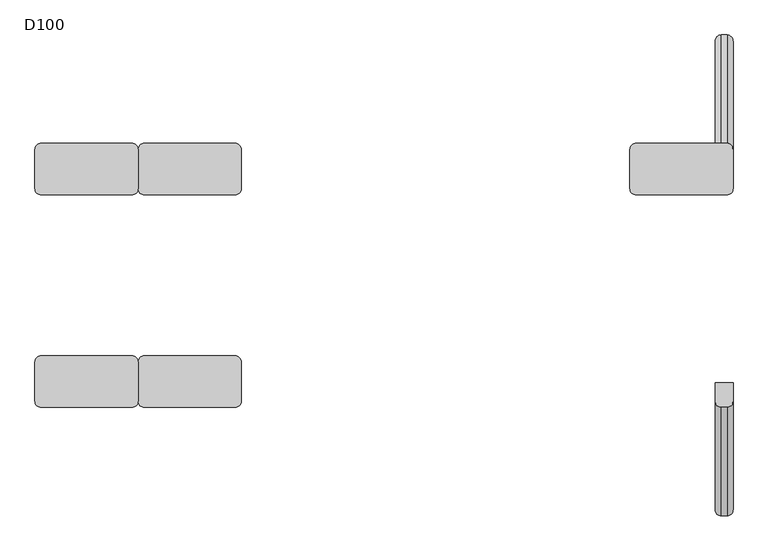
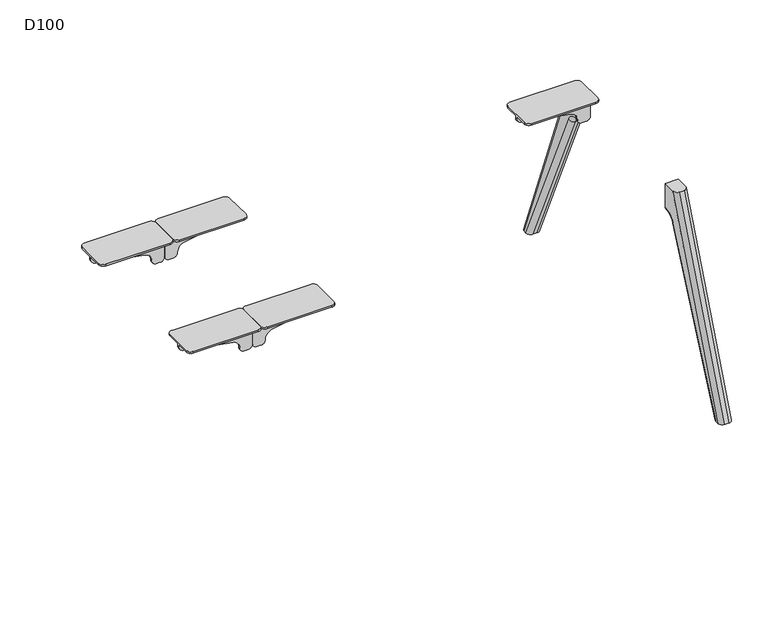
"""IFC4 building model written with IfcOpenShell, lengths in millimetres: furniture geometry, D100."""

from ifc_helpers import new_model, si_unit, point, frame, origin, place, context, project, spatial, polyline, circle_curve, ellipse_curve, trimmed, source, transform, mapped, element, save
from ifc_brep_helpers import plane_surface, cylinder_surface, revolved_surface, advanced_brep


def d100_bded7748(model_context):
    return source(origin(), model_context, "Body", "AdvancedBrep", [
        advanced_brep(
        [(1429.2740174, 270.7236545, 641.5327762), (1255.4913675, 270.7236545, 672.5), (1239.0, 270.7236545, 692.1898324), (1239.0, 270.7236545, 700.0), (1499.0, 270.7236545, 700.0), (1499.0, 270.7236545, 611.0), (1484.0, 270.7236545, 596.0), (1469.0, 270.7236545, 596.0), (1454.0036896, 270.7236545, 611.3326759), (1429.2740174, 264.7236545, 641.5327762), (1454.0036896, 264.7236545, 611.3326759), (1469.0, 264.7236545, 596.0), (1484.0, 264.7236545, 596.0), (1499.0, 264.7236545, 611.0), (1499.0, 264.7236545, 700.0), (1239.0, 264.7236545, 700.0), (1239.0, 264.7236545, 692.1898324), (1255.4913675, 264.7236545, 672.5), (1499.0, 218.7236545, 706.0), (1499.0, 218.7236545, 700.0), (1499.0, 316.7236545, 700.0), (1499.0, 316.7236545, 706.0), (1483.0, 332.7236545, 706.0), (1255.0, 332.7236545, 706.0), (1239.0, 316.7236545, 706.0), (1239.0, 218.7236545, 706.0), (1255.0, 202.7236545, 706.0), (1483.0, 202.7236545, 706.0), (1239.0, 316.7236545, 700.0), (1239.0, 218.7236545, 700.0), (1483.0, 202.7236545, 700.0), (1255.0, 202.7236545, 700.0), (1255.0, 332.7236545, 700.0), (1483.0, 332.7236545, 700.0)],
        [
            (0, 1),
            (1, 2, circle_curve(frame((1259.0, 270.7236545, 692.1898324), z_axis=(0.0, 1.0, 0.0), x_axis=(1.0, 0.0, 0.0)), 20.0)),
            (2, 3),
            (3, 4),
            (4, 5),
            (5, 6, circle_curve(frame((1484.0, 270.7236545, 611.0), z_axis=(0.0, 1.0, 0.0), x_axis=(1.0, 0.0, 0.0)), 15.0)),
            (6, 7),
            (7, 8, circle_curve(frame((1469.0, 270.7236545, 611.0), z_axis=(0.0, 1.0, 0.0), x_axis=(1.0, 0.0, 0.0)), 15.0)),
            (8, 0, circle_curve(frame((1424.0110687, 270.7236545, 611.9980276), z_axis=(0.0, -1.0, 0.0), x_axis=(1.0, 0.0, 0.0)), 30.0)),
            (9, 10, circle_curve(frame((1424.0110687, 264.7236545, 611.9980276), z_axis=(0.0, 1.0, 0.0), x_axis=(1.0, 0.0, 0.0)), 30.0)),
            (10, 11, circle_curve(frame((1469.0, 264.7236545, 611.0), z_axis=(0.0, -1.0, 0.0), x_axis=(1.0, 0.0, 0.0)), 15.0)),
            (11, 12),
            (12, 13, circle_curve(frame((1484.0, 264.7236545, 611.0), z_axis=(0.0, -1.0, 0.0), x_axis=(1.0, 0.0, 0.0)), 15.0)),
            (13, 14),
            (14, 15),
            (15, 16),
            (16, 17, circle_curve(frame((1259.0, 264.7236545, 692.1898324), z_axis=(0.0, -1.0, 0.0), x_axis=(1.0, 0.0, 0.0)), 20.0)),
            (17, 9),
            (8, 10),
            (9, 0),
            (18, 19),
            (19, 14),
            (13, 5),
            (4, 20),
            (20, 21),
            (21, 18),
            (21, 22, circle_curve(frame((1483.0, 316.7236545, 706.0), z_axis=(0.0, 0.0, 1.0), x_axis=(-1.0, 0.0, 0.0)), 16.0)),
            (22, 23),
            (23, 24, circle_curve(frame((1255.0, 316.7236545, 706.0), z_axis=(0.0, 0.0, 1.0), x_axis=(-1.0, 0.0, 0.0)), 16.0)),
            (24, 25),
            (25, 26, circle_curve(frame((1255.0, 218.7236545, 706.0), z_axis=(0.0, 0.0, 1.0), x_axis=(-1.0, 0.0, 0.0)), 16.0)),
            (26, 27),
            (27, 18, circle_curve(frame((1483.0, 218.7236545, 706.0), z_axis=(0.0, 0.0, 1.0), x_axis=(-1.0, 0.0, 0.0)), 16.0)),
            (24, 28),
            (28, 3),
            (2, 16),
            (15, 29),
            (29, 25),
            (1, 17),
            (7, 11),
            (6, 12),
            (30, 31),
            (31, 29, circle_curve(frame((1255.0, 218.7236545, 700.0), z_axis=(0.0, 0.0, -1.0), x_axis=(-1.0, 0.0, 0.0)), 16.0)),
            (19, 30, circle_curve(frame((1483.0, 218.7236545, 700.0), z_axis=(0.0, 0.0, -1.0), x_axis=(-1.0, 0.0, 0.0)), 16.0)),
            (28, 32, circle_curve(frame((1255.0, 316.7236545, 700.0), z_axis=(0.0, 0.0, -1.0), x_axis=(-1.0, 0.0, 0.0)), 16.0)),
            (32, 33),
            (33, 20, circle_curve(frame((1483.0, 316.7236545, 700.0), z_axis=(0.0, 0.0, -1.0), x_axis=(-1.0, 0.0, 0.0)), 16.0)),
            (27, 30),
            (33, 22),
            (32, 23),
            (31, 26),
        ],
        [
            plane_surface(frame((1255.4913675, 270.7236545, 672.5), z_axis=(0.0, 1.0000000000000002, 0.0), x_axis=(-0.9844916178685639, 0.0, 0.17543162299465215))),
            plane_surface(frame((1255.4913675, 264.7236545, 672.5), z_axis=(0.0, -1.0000000000000002, 0.0), x_axis=(0.9844916178685639, 0.0, -0.17543162299465215))),
            revolved_surface(polyline([(1454.0110687, 264.7236545, 611.9980276), (1454.0110687, 270.7236545, 611.9980276)]), (1424.0110687, 264.7236545, 611.9980276), (0.0, -1.0, 0.0)),
            plane_surface(frame((1499.0, 270.7236545, 706.0), z_axis=(1.0, 0.0, 0.0), x_axis=(0.0, -1.0, 0.0))),
            plane_surface(frame((1239.0, 270.7236545, 706.0), z_axis=(0.0, 0.0, 1.0), x_axis=(0.0, -1.0, 0.0))),
            plane_surface(frame((1239.0, 270.7236545, 692.1898324), z_axis=(-1.0, 0.0, 0.0), x_axis=(0.0, -1.0, 0.0))),
            cylinder_surface(frame((1259.0, 264.7236545, 692.1898324), z_axis=(0.0, 1.0, 0.0), x_axis=(1.0, 0.0, 0.0)), 20.0),
            plane_surface(frame((1429.2740174, 270.7236545, 641.5327762), z_axis=(-0.17543162299465215, 0.0, -0.9844916178685639), x_axis=(0.0, -1.0, 0.0))),
            cylinder_surface(frame((1469.0, 264.7236545, 611.0), z_axis=(0.0, 1.0, 0.0), x_axis=(1.0, 0.0, 0.0)), 15.0),
            plane_surface(frame((1484.0, 270.7236545, 596.0), z_axis=(0.0, 0.0, -1.0), x_axis=(0.0, -1.0, 0.0))),
            cylinder_surface(frame((1484.0, 264.7236545, 611.0), z_axis=(0.0, 1.0, 0.0), x_axis=(1.0, 0.0, 0.0)), 15.0),
            plane_surface(frame((1467.0, 218.7236545, 700.0), z_axis=(0.0, 0.0, -1.0), x_axis=(0.0, 1.0, 0.0))),
            cylinder_surface(frame((1483.0, 218.7236545, 700.0), z_axis=(0.0, 0.0, 1.0), x_axis=(-1.0, 0.0, 0.0)), 16.0),
            cylinder_surface(frame((1483.0, 316.7236545, 700.0), z_axis=(0.0, 0.0, 1.0), x_axis=(-1.0, 0.0, 0.0)), 16.0),
            plane_surface(frame((1483.0, 332.7236545, 706.0), z_axis=(0.0, 1.0, 0.0), x_axis=(0.0, 0.0, -1.0))),
            cylinder_surface(frame((1255.0, 316.7236545, 700.0), z_axis=(0.0, 0.0, 1.0), x_axis=(-1.0, 0.0, 0.0)), 16.0),
            cylinder_surface(frame((1255.0, 218.7236545, 700.0), z_axis=(0.0, 0.0, 1.0), x_axis=(-1.0, 0.0, 0.0)), 16.0),
            plane_surface(frame((1255.0, 202.7236545, 706.0), z_axis=(0.0, -1.0, 0.0), x_axis=(0.0, 0.0, -1.0))),
        ],
        [
            (0, [[1, 2, 3, 4, 5, 6, 7, 8, 9]]),
            (1, [[10, 11, 12, 13, 14, 15, 16, 17, 18]]),
            (2, [[-9, 19, -10, 20]]),
            (3, [[21, 22, -14, 23, -5, 24, 25, 26]]),
            (4, [[-26, 27, 28, 29, 30, 31, 32, 33]]),
            (5, [[-30, 34, 35, -3, 36, -16, 37, 38]]),
            (6, [[-2, 39, -17, -36]]),
            (7, [[-1, -20, -18, -39]]),
            (8, [[-8, 40, -11, -19]]),
            (9, [[-7, 41, -12, -40]]),
            (10, [[-6, -23, -13, -41]]),
            (11, [[42, 43, -37, -15, -22, 44]]),
            (11, [[45, 46, 47, -24, -4, -35]]),
            (12, [[-33, 48, -44, -21]]),
            (13, [[-27, -25, -47, 49]]),
            (14, [[-28, -49, -46, 50]]),
            (15, [[-29, -50, -45, -34]]),
            (16, [[-31, -38, -43, 51]]),
            (17, [[-32, -51, -42, -48]]),
        ],
    ),
        advanced_brep(
        [(1484.0, 272.7758244, 596.0), (1499.0, 272.7758244, 611.0), (1499.0, 270.7236545, 611.0), (1484.0, 270.7236545, 596.0), (1454.0, 272.7758244, 611.0), (1469.0, 272.7758244, 596.0), (1469.0, 270.7236545, 596.0), (1454.0, 270.7236545, 611.0), (1499.0, 319.3435487, 580.82862), (1484.0, 305.6533176, 574.6985653), (1484.0, 562.9852524, 0.0), (1499.0, 579.4203292, 0.0), (1469.0, 305.6533176, 574.6985653), (1454.0, 319.3435487, 580.82862), (1454.0, 579.4203292, 0.0), (1469.0, 562.9852524, 0.0), (1454.0, 270.7236545, 700.0), (1454.0, 316.6217076, 700.0), (1454.0, 589.8218305, 0.0), (1499.0, 270.7236545, 700.0), (1499.0, 589.8218305, 0.0), (1499.0, 316.6217076, 700.0), (1484.0, 332.7236545, 700.0), (1469.0, 332.7236545, 700.0), (1484.0, 605.9237773, 0.0), (1469.0, 605.9237773, 0.0)],
        [
            (0, 1, circle_curve(frame((1484.0, 272.7758244, 611.0), z_axis=(0.0, -1.0, 0.0), x_axis=(0.0, 0.0, -1.0)), 15.0)),
            (1, 2),
            (2, 3, circle_curve(frame((1484.0, 270.7236545, 611.0), z_axis=(0.0, 1.0, 0.0), x_axis=(0.0, 0.0, -1.0)), 15.0)),
            (3, 0),
            (4, 5, circle_curve(frame((1469.0, 272.7758244, 611.0), z_axis=(0.0, -1.0, 0.0), x_axis=(0.0, 0.0, -1.0)), 15.0)),
            (5, 6),
            (6, 7, circle_curve(frame((1469.0, 270.7236545, 611.0), z_axis=(0.0, 1.0, 0.0), x_axis=(0.0, 0.0, -1.0)), 15.0)),
            (7, 4),
            (8, 9, circle_curve(frame((1484.0, 319.3435487, 580.82862), z_axis=(0.0, 0.4086703164969099, -0.9126820763082375), x_axis=(0.0, -0.9126820763082375, -0.4086703164969099)), 15.0)),
            (9, 10),
            (10, 11, ellipse_curve(frame((1484.0, 579.4203292, 0.0), z_axis=(0.0, 0.0, 1.0), x_axis=(0.0, 1.0, 0.0)), 16.4350768, 15.0)),
            (11, 8),
            (12, 13, circle_curve(frame((1469.0, 319.3435487, 580.82862), z_axis=(0.0, 0.4086703164969099, -0.9126820763082375), x_axis=(0.0, -0.9126820763082375, -0.4086703164969099)), 15.0)),
            (13, 14),
            (14, 15, ellipse_curve(frame((1469.0, 579.4203292, 0.0), z_axis=(0.0, 0.0, 1.0), x_axis=(0.0, 1.0, 0.0)), 16.4350768, 15.0)),
            (15, 12),
            (0, 9, circle_curve(frame((1484.0, 272.7758244, 559.9770583), z_axis=(-1.0, 0.0, 0.0), x_axis=(0.0, 0.0, 1.0)), 36.0229417)),
            (8, 1, circle_curve(frame((1499.0, 272.7758244, 559.9770583), z_axis=(1.0, 0.0, 0.0), x_axis=(0.0, 0.0, 1.0)), 51.0229417)),
            (4, 13, circle_curve(frame((1454.0, 272.7758244, 559.9770583), z_axis=(-1.0, 0.0, 0.0), x_axis=(0.0, 0.0, 1.0)), 51.0229417)),
            (12, 5, circle_curve(frame((1469.0, 272.7758244, 559.9770583), z_axis=(1.0, 0.0, 0.0), x_axis=(0.0, 0.0, 1.0)), 36.0229417)),
            (7, 16),
            (16, 17),
            (17, 18),
            (18, 14),
            (19, 2),
            (11, 20),
            (20, 21),
            (21, 19),
            (16, 19),
            (21, 22, ellipse_curve(frame((1484.0, 316.6217076, 700.0), z_axis=(0.0, 0.0, 1.0), x_axis=(0.0, -1.0, 0.0)), 16.1019468, 15.0)),
            (22, 23),
            (23, 17, ellipse_curve(frame((1469.0, 316.6217076, 700.0), z_axis=(0.0, 0.0, 1.0), x_axis=(0.0, -1.0, 0.0)), 16.1019468, 15.0)),
            (22, 24),
            (24, 25),
            (25, 23),
            (10, 15),
            (18, 25, ellipse_curve(frame((1469.0, 589.8218305, 0.0), z_axis=(0.0, 0.0, -1.0), x_axis=(0.0, -0.9999999999999999, 0.0)), 16.1019468, 15.0)),
            (24, 20, ellipse_curve(frame((1484.0, 589.8218305, 0.0), z_axis=(0.0, 0.0, -1.0), x_axis=(0.0, -0.9999999999999999, 0.0)), 16.1019468, 15.0)),
            (9, 12),
            (0, 5),
            (3, 6),
        ],
        [
            cylinder_surface(frame((1484.0, -272.7758244, 611.0), z_axis=(0.0, 1.0, 0.0), x_axis=(0.0, 0.0, -1.0)), 15.0),
            cylinder_surface(frame((1469.0, -272.7758244, 611.0), z_axis=(0.0, 1.0, 0.0), x_axis=(0.0, 0.0, -1.0)), 15.0),
            cylinder_surface(frame((1484.0, 319.3435487, 580.82862), z_axis=(0.0, 0.4086703164969099, -0.9126820763082375), x_axis=(0.0, -0.9126820763082375, -0.4086703164969099)), 15.0),
            cylinder_surface(frame((1469.0, 319.3435487, 580.82862), z_axis=(0.0, 0.4086703164969099, -0.9126820763082375), x_axis=(0.0, -0.9126820763082375, -0.4086703164969099)), 15.0),
            revolved_surface(trimmed(ellipse_curve(frame((1484.0, 272.7758244, 611.0), z_axis=(0.0, -1.0, 0.0), x_axis=(0.0, 0.0, -1.0)), 15.0, 15.0), [point((1484.0, 272.7758244, 596.0))], [point((1499.0, 272.7758244, 611.0))], True, "CARTESIAN"), (717.0, 272.7758244, 559.9770583), (-1.0, 0.0, 0.0)),
            revolved_surface(trimmed(ellipse_curve(frame((1469.0, 272.7758244, 611.0), z_axis=(0.0, -1.0, 0.0), x_axis=(0.0, 0.0, -1.0)), 15.0, 15.0), [point((1454.0, 272.7758244, 611.0))], [point((1469.0, 272.7758244, 596.0))], True, "CARTESIAN"), (717.0, 272.7758244, 559.9770583), (-1.0, 0.0, 0.0)),
            plane_surface(frame((1454.0, 291.5455549, 700.0), z_axis=(-1.0, 0.0, 0.0), x_axis=(0.0, 1.0, 0.0))),
            plane_surface(frame((1499.0, 291.5455549, 700.0), z_axis=(1.0, 0.0, 0.0), x_axis=(0.0, -1.0, 0.0))),
            plane_surface(frame((1454.0, 270.7236545, 700.0), z_axis=(0.0, 0.0, 1.0), x_axis=(1.0, 0.0, 0.0))),
            plane_surface(frame((1454.0, 332.7236545, 700.0), z_axis=(0.0, 0.9315643722265751, 0.3635764299265108), x_axis=(1.0, 0.0, 0.0))),
            plane_surface(frame((1454.0, 605.9237773, 0.0), z_axis=(0.0, 0.0, -1.0), x_axis=(1.0, 0.0, 0.0))),
            plane_surface(frame((1454.0, 562.9852524, 0.0), z_axis=(0.0, -0.9126820763082374, -0.40867031649691016), x_axis=(1.0, 0.0, 0.0))),
            revolved_surface(polyline([(1484.0, 236.7528827, 559.9770583), (1469.0, 236.7528827, 559.9770583)]), (1499.0, 272.7758244, 559.9770583), (1.0, 0.0, 0.0)),
            plane_surface(frame((1454.0, 272.7758244, 596.0), z_axis=(0.0, 0.0, -1.0), x_axis=(1.0, 0.0, 0.0))),
            plane_surface(frame((1454.0, 270.7236545, 596.0), z_axis=(0.0, -1.0, 0.0), x_axis=(1.0, 0.0, 0.0))),
            cylinder_surface(frame((1484.0, 599.6644228, -25.2189296), z_axis=(0.0, -0.3635764299265101, 0.9315643722265754), x_axis=(0.0, 0.9315643722265754, 0.3635764299265101)), 15.0),
            cylinder_surface(frame((1469.0, 599.6644228, -25.2189296), z_axis=(0.0, -0.3635764299265101, 0.9315643722265754), x_axis=(0.0, 0.9315643722265754, 0.3635764299265101)), 15.0),
        ],
        [
            (0, [[1, 2, 3, 4]]),
            (1, [[5, 6, 7, 8]]),
            (2, [[9, 10, 11, 12]]),
            (3, [[13, 14, 15, 16]]),
            (4, [[-1, 17, -9, 18]]),
            (5, [[-5, 19, -13, 20]]),
            (6, [[21, 22, 23, 24, -14, -19, -8]]),
            (7, [[25, -2, -18, -12, 26, 27, 28]]),
            (8, [[29, -28, 30, 31, 32, -22]]),
            (9, [[-31, 33, 34, 35]]),
            (10, [[36, -15, -24, 37, -34, 38, -26, -11]]),
            (11, [[-36, -10, 39, -16]]),
            (12, [[-39, -17, 40, -20]]),
            (13, [[-40, -4, 41, -6]]),
            (14, [[-29, -21, -7, -41, -3, -25]]),
            (15, [[-27, -38, -33, -30]]),
            (16, [[-23, -32, -35, -37]]),
        ],
    ),
        advanced_brep(
        [(1454.0, -270.7236545, 700.0), (1454.0, -270.7236545, 611.0), (1454.0, -272.7758244, 611.0), (1454.0, -319.3435487, 580.82862), (1454.0, -579.4203292, 0.0), (1454.0, -589.8218305, 0.0), (1454.0, -316.6217076, 700.0), (1499.0, -270.7236545, 611.0), (1499.0, -270.7236545, 700.0), (1499.0, -316.6217076, 700.0), (1499.0, -589.8218305, 0.0), (1499.0, -579.4203292, 0.0), (1499.0, -319.3435487, 580.82862), (1499.0, -272.7758244, 611.0), (1469.0, -332.7236545, 700.0), (1484.0, -332.7236545, 700.0), (1469.0, -605.9237773, 0.0), (1484.0, -605.9237773, 0.0), (1469.0, -562.9852524, 0.0), (1484.0, -562.9852524, 0.0), (1469.0, -305.6533176, 574.6985653), (1484.0, -305.6533176, 574.6985653), (1469.0, -272.7758244, 596.0), (1484.0, -272.7758244, 596.0), (1469.0, -270.7236545, 596.0), (1484.0, -270.7236545, 596.0)],
        [
            (0, 1),
            (1, 2),
            (2, 3, circle_curve(frame((1454.0, -272.7758244, 559.9770583), z_axis=(1.0, 0.0, 0.0), x_axis=(0.0, -0.9126820763082378, 0.4086703164969091)), 51.0229417)),
            (3, 4),
            (4, 5),
            (5, 6),
            (6, 0),
            (7, 8),
            (8, 9),
            (9, 10),
            (10, 11),
            (11, 12),
            (12, 13, circle_curve(frame((1499.0, -272.7758244, 559.9770583), z_axis=(-1.0, 0.0, 0.0), x_axis=(0.0, -0.9126820763082378, 0.4086703164969091)), 51.0229417)),
            (13, 7),
            (8, 0),
            (6, 14, ellipse_curve(frame((1469.0, -316.6217076, 700.0), z_axis=(0.0, 0.0, 1.0), x_axis=(0.0, 1.0, 0.0)), 16.1019468, 15.0)),
            (14, 15),
            (15, 9, ellipse_curve(frame((1484.0, -316.6217076, 700.0), z_axis=(0.0, 0.0, 1.0), x_axis=(0.0, 1.0, 0.0)), 16.1019468, 15.0)),
            (14, 16),
            (16, 17),
            (17, 15),
            (18, 19),
            (19, 11, ellipse_curve(frame((1484.0, -579.4203292, 0.0), z_axis=(0.0, 0.0, -1.0), x_axis=(0.0, 1.0, 0.0)), 16.4350768, 15.0)),
            (10, 17, ellipse_curve(frame((1484.0, -589.8218305, 0.0), z_axis=(0.0, 0.0, -1.0), x_axis=(0.0, 0.9999999999999999, 0.0)), 16.1019468, 15.0)),
            (16, 5, ellipse_curve(frame((1469.0, -589.8218305, 0.0), z_axis=(0.0, 0.0, -1.0), x_axis=(0.0, 0.9999999999999999, 0.0)), 16.1019468, 15.0)),
            (4, 18, ellipse_curve(frame((1469.0, -579.4203292, 0.0), z_axis=(0.0, 0.0, -1.0), x_axis=(0.0, 1.0, 0.0)), 16.4350768, 15.0)),
            (18, 20),
            (20, 21),
            (21, 19),
            (20, 22, circle_curve(frame((1469.0, -272.7758244, 559.9770583), z_axis=(-1.0, 0.0, 0.0), x_axis=(0.0, 1.0, 0.0)), 36.0229417)),
            (22, 23),
            (23, 21, circle_curve(frame((1484.0, -272.7758244, 559.9770583), z_axis=(1.0, 0.0, 0.0), x_axis=(0.0, 1.0, 0.0)), 36.0229417)),
            (22, 24),
            (24, 25),
            (25, 23),
            (7, 25, circle_curve(frame((1484.0, -270.7236545, 611.0), z_axis=(0.0, 1.0, 0.0), x_axis=(0.0, 0.0, -1.0)), 15.0)),
            (24, 1, circle_curve(frame((1469.0, -270.7236545, 611.0), z_axis=(0.0, 1.0, 0.0), x_axis=(0.0, 0.0, -1.0)), 15.0)),
            (21, 12, circle_curve(frame((1484.0, -319.3435487, 580.82862), z_axis=(0.0, -0.40867031649690977, -0.9126820763082376), x_axis=(0.0, 0.9126820763082376, -0.40867031649690977)), 15.0)),
            (3, 20, circle_curve(frame((1469.0, -319.3435487, 580.82862), z_axis=(0.0, -0.40867031649690977, -0.9126820763082376), x_axis=(0.0, 0.9126820763082376, -0.40867031649690977)), 15.0)),
            (13, 23, circle_curve(frame((1484.0, -272.7758244, 611.0), z_axis=(0.0, 1.0, 0.0), x_axis=(0.0, 0.0, -1.0)), 15.0)),
            (22, 2, circle_curve(frame((1469.0, -272.7758244, 611.0), z_axis=(0.0, 1.0, 0.0), x_axis=(0.0, 0.0, -1.0)), 15.0)),
        ],
        [
            plane_surface(frame((1454.0, -270.7236545, 596.0), z_axis=(-1.0, 0.0, 0.0), x_axis=(0.0, 0.0, -1.0))),
            plane_surface(frame((1499.0, -270.7236545, 596.0), z_axis=(1.0, 0.0, 0.0), x_axis=(0.0, 0.0, 1.0))),
            plane_surface(frame((1454.0, -332.7236545, 700.0), z_axis=(0.0, 0.0, 1.0), x_axis=(1.0, 0.0, 0.0))),
            plane_surface(frame((1454.0, -605.9237773, 0.0), z_axis=(0.0, -0.9315643722265751, 0.3635764299265108), x_axis=(1.0, 0.0, 0.0))),
            plane_surface(frame((1454.0, -562.9852524, 0.0), z_axis=(0.0, 0.0, -1.0), x_axis=(1.0, 0.0, 0.0))),
            plane_surface(frame((1454.0, -305.6533176, 574.6985653), z_axis=(0.0, 0.9126820763082374, -0.40867031649691016), x_axis=(1.0, 0.0, 0.0))),
            revolved_surface(polyline([(1484.0, -236.7528827, 559.9770583), (1469.0, -236.7528827, 559.9770583)]), (1499.0, -272.7758244, 559.9770583), (1.0, 0.0, 0.0)),
            plane_surface(frame((1454.0, -270.7236545, 596.0), z_axis=(0.0, 0.0, -1.0), x_axis=(1.0, 0.0, 0.0))),
            plane_surface(frame((1454.0, -270.7236545, 700.0), z_axis=(0.0, 1.0, 0.0), x_axis=(1.0, 0.0, 0.0))),
            cylinder_surface(frame((1484.0, -584.7803586, -11.9705362), z_axis=(0.0, 0.40867031649690977, 0.9126820763082376), x_axis=(0.0, 0.9126820763082376, -0.40867031649690977)), 15.0),
            cylinder_surface(frame((1469.0, -584.7803586, -11.9705362), z_axis=(0.0, 0.40867031649690977, 0.9126820763082376), x_axis=(0.0, 0.9126820763082376, -0.40867031649690977)), 15.0),
            cylinder_surface(frame((1484.0, -272.7758244, 611.0), z_axis=(0.0, 1.0, 0.0), x_axis=(0.0, 0.0, -1.0)), 15.0),
            cylinder_surface(frame((1469.0, -272.7758244, 611.0), z_axis=(0.0, 1.0, 0.0), x_axis=(0.0, 0.0, -1.0)), 15.0),
            revolved_surface(trimmed(ellipse_curve(frame((1484.0, -319.3435487, 580.82862), z_axis=(0.0, -0.4086703164969089, -0.9126820763082379), x_axis=(0.0, 0.9126820763082379, -0.4086703164969089)), 15.0, 15.0), [point((1484.0, -305.6533176, 574.6985653))], [point((1499.0, -319.3435487, 580.82862))], True, "CARTESIAN"), (717.0, -272.7758244, 559.9770583), (-1.0, 0.0, 0.0)),
            revolved_surface(trimmed(ellipse_curve(frame((1469.0, -319.3435487, 580.82862), z_axis=(0.0, -0.4086703164969089, -0.9126820763082379), x_axis=(0.0, 0.9126820763082379, -0.4086703164969089)), 15.0, 15.0), [point((1454.0, -319.3435487, 580.82862))], [point((1469.0, -305.6533176, 574.6985653))], True, "CARTESIAN"), (717.0, -272.7758244, 559.9770583), (-1.0, 0.0, 0.0)),
            cylinder_surface(frame((1484.0, -599.6644228, -25.2189296), z_axis=(0.0, 0.3635764299265101, 0.9315643722265754), x_axis=(0.0, 0.9315643722265754, -0.3635764299265101)), 15.0),
            cylinder_surface(frame((1469.0, -599.6644228, -25.2189296), z_axis=(0.0, 0.3635764299265101, 0.9315643722265754), x_axis=(0.0, 0.9315643722265754, -0.3635764299265101)), 15.0),
        ],
        [
            (0, [[1, 2, 3, 4, 5, 6, 7]]),
            (1, [[8, 9, 10, 11, 12, 13, 14]]),
            (2, [[15, -7, 16, 17, 18, -9]]),
            (3, [[-17, 19, 20, 21]]),
            (4, [[22, 23, -11, 24, -20, 25, -5, 26]]),
            (5, [[-22, 27, 28, 29]]),
            (6, [[-28, 30, 31, 32]]),
            (7, [[-31, 33, 34, 35]]),
            (8, [[-15, -8, 36, -34, 37, -1]]),
            (9, [[38, -12, -23, -29]]),
            (10, [[39, -27, -26, -4]]),
            (11, [[40, -35, -36, -14]]),
            (12, [[41, -2, -37, -33]]),
            (13, [[-38, -32, -40, -13]]),
            (14, [[-39, -3, -41, -30]]),
            (15, [[-10, -18, -21, -24]]),
            (16, [[-6, -25, -19, -16]]),
        ],
    ),
        advanced_brep(
        [(-69.7259826, 270.7236545, 641.5327762), (-243.5086325, 270.7236545, 672.5), (-260.0, 270.7236545, 692.1898324), (-260.0, 270.7236545, 700.0), (0.0, 270.7236545, 700.0), (0.0, 270.7236545, 611.0), (-15.0, 270.7236545, 596.0), (-30.0, 270.7236545, 596.0), (-45.0, 270.7236545, 611.0), (-44.9963104, 270.7236545, 611.3326759), (-69.7259826, 264.7236545, 641.5327762), (-44.9963104, 264.7236545, 611.3326759), (-45.0, 264.7236545, 611.0), (-30.0, 264.7236545, 596.0), (-15.0, 264.7236545, 596.0), (0.0, 264.7236545, 611.0), (0.0, 264.7236545, 700.0), (-260.0, 264.7236545, 700.0), (-260.0, 264.7236545, 692.1898324), (-243.5086325, 264.7236545, 672.5), (0.0, 218.7236545, 706.0), (0.0, 218.7236545, 700.0), (0.0, 316.7236545, 700.0), (0.0, 316.7236545, 706.0), (-16.0, 332.7236545, 706.0), (-244.0, 332.7236545, 706.0), (-260.0, 316.7236545, 706.0), (-260.0, 218.7236545, 706.0), (-244.0, 202.7236545, 706.0), (-16.0, 202.7236545, 706.0), (-260.0, 316.7236545, 700.0), (-260.0, 218.7236545, 700.0), (-16.0, 202.7236545, 700.0), (-244.0, 202.7236545, 700.0), (-244.0, 332.7236545, 700.0), (-16.0, 332.7236545, 700.0)],
        [
            (0, 1),
            (1, 2, circle_curve(frame((-240.0, 270.7236545, 692.1898324), z_axis=(0.0, 1.0, 0.0), x_axis=(1.0, 0.0, 0.0)), 20.0)),
            (2, 3),
            (3, 4),
            (4, 5),
            (5, 6, circle_curve(frame((-15.0, 270.7236545, 611.0), z_axis=(0.0, 1.0, 0.0), x_axis=(1.0, 0.0, 0.0)), 15.0)),
            (6, 7),
            (7, 8, circle_curve(frame((-30.0, 270.7236545, 611.0), z_axis=(0.0, 1.0, 0.0), x_axis=(1.0, 0.0, 0.0)), 15.0)),
            (8, 9, circle_curve(frame((-30.0, 270.7236545, 611.0), z_axis=(0.0, 1.0, 0.0), x_axis=(1.0, 0.0, 0.0)), 15.0)),
            (9, 0, circle_curve(frame((-74.9889313, 270.7236545, 611.9980276), z_axis=(0.0, -1.0, 0.0), x_axis=(1.0, 0.0, 0.0)), 30.0)),
            (10, 11, circle_curve(frame((-74.9889313, 264.7236545, 611.9980276), z_axis=(0.0, 1.0, 0.0), x_axis=(1.0, 0.0, 0.0)), 30.0)),
            (11, 12, circle_curve(frame((-30.0, 264.7236545, 611.0), z_axis=(0.0, -1.0, 0.0), x_axis=(1.0, 0.0, 0.0)), 15.0)),
            (12, 13, circle_curve(frame((-30.0, 264.7236545, 611.0), z_axis=(0.0, -1.0, 0.0), x_axis=(1.0, 0.0, 0.0)), 15.0)),
            (13, 14),
            (14, 15, circle_curve(frame((-15.0, 264.7236545, 611.0), z_axis=(0.0, -1.0, 0.0), x_axis=(1.0, 0.0, 0.0)), 15.0)),
            (15, 16),
            (16, 17),
            (17, 18),
            (18, 19, circle_curve(frame((-240.0, 264.7236545, 692.1898324), z_axis=(0.0, -1.0, 0.0), x_axis=(1.0, 0.0, 0.0)), 20.0)),
            (19, 10),
            (9, 11),
            (10, 0),
            (20, 21),
            (21, 16),
            (15, 5),
            (4, 22),
            (22, 23),
            (23, 20),
            (23, 24, circle_curve(frame((-16.0, 316.7236545, 706.0), z_axis=(0.0, 0.0, 1.0), x_axis=(-1.0, 0.0, 0.0)), 16.0)),
            (24, 25),
            (25, 26, circle_curve(frame((-244.0, 316.7236545, 706.0), z_axis=(0.0, 0.0, 1.0), x_axis=(-1.0, 0.0, 0.0)), 16.0)),
            (26, 27),
            (27, 28, circle_curve(frame((-244.0, 218.7236545, 706.0), z_axis=(0.0, 0.0, 1.0), x_axis=(-1.0, 0.0, 0.0)), 16.0)),
            (28, 29),
            (29, 20, circle_curve(frame((-16.0, 218.7236545, 706.0), z_axis=(0.0, 0.0, 1.0), x_axis=(-1.0, 0.0, 0.0)), 16.0)),
            (26, 30),
            (30, 3),
            (2, 18),
            (17, 31),
            (31, 27),
            (1, 19),
            (7, 13),
            (6, 14),
            (32, 33),
            (33, 31, circle_curve(frame((-244.0, 218.7236545, 700.0), z_axis=(0.0, 0.0, -1.0), x_axis=(-1.0, 0.0, 0.0)), 16.0)),
            (21, 32, circle_curve(frame((-16.0, 218.7236545, 700.0), z_axis=(0.0, 0.0, -1.0), x_axis=(-1.0, 0.0, 0.0)), 16.0)),
            (30, 34, circle_curve(frame((-244.0, 316.7236545, 700.0), z_axis=(0.0, 0.0, -1.0), x_axis=(-1.0, 0.0, 0.0)), 16.0)),
            (34, 35),
            (35, 22, circle_curve(frame((-16.0, 316.7236545, 700.0), z_axis=(0.0, 0.0, -1.0), x_axis=(-1.0, 0.0, 0.0)), 16.0)),
            (29, 32),
            (35, 24),
            (34, 25),
            (33, 28),
        ],
        [
            plane_surface(frame((-243.5086325, 270.7236545, 672.5), z_axis=(0.0, 1.0, 0.0), x_axis=(-0.9844916178685641, 0.0, 0.17543162299465068))),
            plane_surface(frame((-243.5086325, 264.7236545, 672.5), z_axis=(0.0, -1.0, 0.0), x_axis=(0.9844916178685641, 0.0, -0.17543162299465068))),
            revolved_surface(polyline([(-44.988931300000004, 264.7236545, 611.9980276), (-44.988931300000004, 270.7236545, 611.9980276)]), (-74.9889313, 264.7236545, 611.9980276), (0.0, -1.0, 0.0)),
            plane_surface(frame((0.0, 270.7236545, 706.0), z_axis=(1.0, 0.0, 0.0), x_axis=(0.0, -1.0, 0.0))),
            plane_surface(frame((-260.0, 270.7236545, 706.0), z_axis=(0.0, 0.0, 1.0), x_axis=(0.0, -1.0, 0.0))),
            plane_surface(frame((-260.0, 270.7236545, 692.1898324), z_axis=(-1.0, 0.0, 0.0), x_axis=(0.0, -1.0, 0.0))),
            cylinder_surface(frame((-240.0, 264.7236545, 692.1898324), z_axis=(0.0, 1.0, 0.0), x_axis=(1.0, 0.0, 0.0)), 20.0),
            plane_surface(frame((-69.7259826, 270.7236545, 641.5327762), z_axis=(-0.17543162299465068, 0.0, -0.9844916178685641), x_axis=(0.0, -1.0, 0.0))),
            cylinder_surface(frame((-30.0, 264.7236545, 611.0), z_axis=(0.0, 1.0, 0.0), x_axis=(1.0, 0.0, 0.0)), 15.0),
            plane_surface(frame((-15.0, 270.7236545, 596.0), z_axis=(0.0, 0.0, -1.0), x_axis=(0.0, -1.0, 0.0))),
            cylinder_surface(frame((-15.0, 264.7236545, 611.0), z_axis=(0.0, 1.0, 0.0), x_axis=(1.0, 0.0, 0.0)), 15.0),
            plane_surface(frame((-32.0, 218.7236545, 700.0), z_axis=(0.0, 0.0, -1.0), x_axis=(0.0, 1.0, 0.0))),
            cylinder_surface(frame((-16.0, 218.7236545, 700.0), z_axis=(0.0, 0.0, 1.0), x_axis=(-1.0, 0.0, 0.0)), 16.0),
            cylinder_surface(frame((-16.0, 316.7236545, 700.0), z_axis=(0.0, 0.0, 1.0), x_axis=(-1.0, 0.0, 0.0)), 16.0),
            plane_surface(frame((-16.0, 332.7236545, 706.0), z_axis=(0.0, 1.0, 0.0), x_axis=(0.0, 0.0, -1.0))),
            cylinder_surface(frame((-244.0, 316.7236545, 700.0), z_axis=(0.0, 0.0, 1.0), x_axis=(-1.0, 0.0, 0.0)), 16.0),
            cylinder_surface(frame((-244.0, 218.7236545, 700.0), z_axis=(0.0, 0.0, 1.0), x_axis=(-1.0, 0.0, 0.0)), 16.0),
            plane_surface(frame((-244.0, 202.7236545, 706.0), z_axis=(0.0, -1.0, 0.0), x_axis=(0.0, 0.0, -1.0))),
        ],
        [
            (0, [[1, 2, 3, 4, 5, 6, 7, 8, 9, 10]]),
            (1, [[11, 12, 13, 14, 15, 16, 17, 18, 19, 20]]),
            (2, [[-10, 21, -11, 22]]),
            (3, [[23, 24, -16, 25, -5, 26, 27, 28]]),
            (4, [[-28, 29, 30, 31, 32, 33, 34, 35]]),
            (5, [[-32, 36, 37, -3, 38, -18, 39, 40]]),
            (6, [[-2, 41, -19, -38]]),
            (7, [[-1, -22, -20, -41]]),
            (8, [[-21, -9, -8, 42, -13, -12]]),
            (9, [[-7, 43, -14, -42]]),
            (10, [[-6, -25, -15, -43]]),
            (11, [[44, 45, -39, -17, -24, 46]]),
            (11, [[47, 48, 49, -26, -4, -37]]),
            (12, [[-35, 50, -46, -23]]),
            (13, [[-29, -27, -49, 51]]),
            (14, [[-30, -51, -48, 52]]),
            (15, [[-31, -52, -47, -36]]),
            (16, [[-33, -40, -45, 53]]),
            (17, [[-34, -53, -44, -50]]),
        ],
    ),
        advanced_brep(
        [(-69.7259826, -270.7236545, 641.5327762), (-44.9963104, -270.7236545, 611.3326759), (-45.0, -270.7236545, 611.0), (-30.0, -270.7236545, 596.0), (-15.0, -270.7236545, 596.0), (0.0, -270.7236545, 611.0), (0.0, -270.7236545, 700.0), (-260.0, -270.7236545, 700.0), (-260.0, -270.7236545, 692.1898324), (-243.5086325, -270.7236545, 672.5), (-69.7259826, -264.7236545, 641.5327762), (-243.5086325, -264.7236545, 672.5), (-260.0, -264.7236545, 692.1898324), (-260.0, -264.7236545, 700.0), (0.0, -264.7236545, 700.0), (0.0, -264.7236545, 611.0), (-15.0, -264.7236545, 596.0), (-30.0, -264.7236545, 596.0), (-45.0, -264.7236545, 611.0), (-44.9963104, -264.7236545, 611.3326759), (0.0, -218.7236545, 700.0), (0.0, -218.7236545, 706.0), (0.0, -316.7236545, 706.0), (0.0, -316.7236545, 700.0), (-16.0, -202.7236545, 706.0), (-244.0, -202.7236545, 706.0), (-260.0, -218.7236545, 706.0), (-260.0, -316.7236545, 706.0), (-244.0, -332.7236545, 706.0), (-16.0, -332.7236545, 706.0), (-260.0, -218.7236545, 700.0), (-260.0, -316.7236545, 700.0), (-16.0, -202.7236545, 700.0), (-244.0, -202.7236545, 700.0), (-16.0, -332.7236545, 700.0), (-244.0, -332.7236545, 700.0)],
        [
            (0, 1, circle_curve(frame((-74.9889313, -270.7236545, 611.9980276), z_axis=(0.0, 1.0, 0.0), x_axis=(1.0, 0.0, 0.0)), 30.0)),
            (1, 2, circle_curve(frame((-30.0, -270.7236545, 611.0), z_axis=(0.0, -1.0, 0.0), x_axis=(1.0, 0.0, 0.0)), 15.0)),
            (2, 3, circle_curve(frame((-30.0, -270.7236545, 611.0), z_axis=(0.0, -1.0, 0.0), x_axis=(1.0, 0.0, 0.0)), 15.0)),
            (3, 4),
            (4, 5, circle_curve(frame((-15.0, -270.7236545, 611.0), z_axis=(0.0, -1.0, 0.0), x_axis=(1.0, 0.0, 0.0)), 15.0)),
            (5, 6),
            (6, 7),
            (7, 8),
            (8, 9, circle_curve(frame((-240.0, -270.7236545, 692.1898324), z_axis=(0.0, -1.0, 0.0), x_axis=(1.0, 0.0, 0.0)), 20.0)),
            (9, 0),
            (10, 11),
            (11, 12, circle_curve(frame((-240.0, -264.7236545, 692.1898324), z_axis=(0.0, 1.0, 0.0), x_axis=(1.0, 0.0, 0.0)), 20.0)),
            (12, 13),
            (13, 14),
            (14, 15),
            (15, 16, circle_curve(frame((-15.0, -264.7236545, 611.0), z_axis=(0.0, 1.0, 0.0), x_axis=(1.0, 0.0, 0.0)), 15.0)),
            (16, 17),
            (17, 18, circle_curve(frame((-30.0, -264.7236545, 611.0), z_axis=(0.0, 1.0, 0.0), x_axis=(1.0, 0.0, 0.0)), 15.0)),
            (18, 19, circle_curve(frame((-30.0, -264.7236545, 611.0), z_axis=(0.0, 1.0, 0.0), x_axis=(1.0, 0.0, 0.0)), 15.0)),
            (19, 10, circle_curve(frame((-74.9889313, -264.7236545, 611.9980276), z_axis=(0.0, -1.0, 0.0), x_axis=(1.0, 0.0, 0.0)), 30.0)),
            (0, 10),
            (19, 1),
            (5, 15),
            (14, 20),
            (20, 21),
            (21, 22),
            (22, 23),
            (23, 6),
            (21, 24, circle_curve(frame((-16.0, -218.7236545, 706.0), z_axis=(0.0, 0.0, 1.0), x_axis=(-1.0, 0.0, 0.0)), 16.0)),
            (24, 25),
            (25, 26, circle_curve(frame((-244.0, -218.7236545, 706.0), z_axis=(0.0, 0.0, 1.0), x_axis=(-1.0, 0.0, 0.0)), 16.0)),
            (26, 27),
            (27, 28, circle_curve(frame((-244.0, -316.7236545, 706.0), z_axis=(0.0, 0.0, 1.0), x_axis=(-1.0, 0.0, 0.0)), 16.0)),
            (28, 29),
            (29, 22, circle_curve(frame((-16.0, -316.7236545, 706.0), z_axis=(0.0, 0.0, 1.0), x_axis=(-1.0, 0.0, 0.0)), 16.0)),
            (26, 30),
            (30, 13),
            (12, 8),
            (7, 31),
            (31, 27),
            (11, 9),
            (17, 3),
            (16, 4),
            (32, 20, circle_curve(frame((-16.0, -218.7236545, 700.0), z_axis=(0.0, 0.0, -1.0), x_axis=(-1.0, 0.0, 0.0)), 16.0)),
            (30, 33, circle_curve(frame((-244.0, -218.7236545, 700.0), z_axis=(0.0, 0.0, -1.0), x_axis=(-1.0, 0.0, 0.0)), 16.0)),
            (33, 32),
            (23, 34, circle_curve(frame((-16.0, -316.7236545, 700.0), z_axis=(0.0, 0.0, -1.0), x_axis=(-1.0, 0.0, 0.0)), 16.0)),
            (34, 35),
            (35, 31, circle_curve(frame((-244.0, -316.7236545, 700.0), z_axis=(0.0, 0.0, -1.0), x_axis=(-1.0, 0.0, 0.0)), 16.0)),
            (32, 24),
            (29, 34),
            (28, 35),
            (25, 33),
        ],
        [
            plane_surface(frame((-44.9889313, -270.7236545, 611.9980276), z_axis=(0.0, -1.0, 0.0), x_axis=(0.0, 0.0, -1.0))),
            plane_surface(frame((-44.9889313, -264.7236545, 611.9980276), z_axis=(0.0, 1.0, 0.0), x_axis=(0.0, 0.0, 1.0))),
            revolved_surface(polyline([(-44.988931300000004, -264.7236545, 611.9980276), (-44.988931300000004, -270.7236545, 611.9980276)]), (-74.9889313, -264.7236545, 611.9980276), (0.0, 1.0, 0.0)),
            plane_surface(frame((0.0, -270.7236545, 611.0), z_axis=(1.0, 0.0, 0.0), x_axis=(0.0, 1.0, 0.0))),
            plane_surface(frame((0.0, -270.7236545, 706.0), z_axis=(0.0, 0.0, 1.0), x_axis=(0.0, 1.0, 0.0))),
            plane_surface(frame((-260.0, -270.7236545, 706.0), z_axis=(-1.0, 0.0, 0.0), x_axis=(0.0, 1.0, 0.0))),
            cylinder_surface(frame((-240.0, -264.7236545, 692.1898324), z_axis=(0.0, -1.0, 0.0), x_axis=(1.0, 0.0, 0.0)), 20.0),
            plane_surface(frame((-243.5086325, -270.7236545, 672.5), z_axis=(-0.17543162299465068, 0.0, -0.9844916178685641), x_axis=(0.0, 1.0, 0.0))),
            cylinder_surface(frame((-30.0, -264.7236545, 611.0), z_axis=(0.0, -1.0, 0.0), x_axis=(1.0, 0.0, 0.0)), 15.0),
            plane_surface(frame((-30.0, -270.7236545, 596.0), z_axis=(0.0, 0.0, -1.0), x_axis=(0.0, 1.0, 0.0))),
            cylinder_surface(frame((-15.0, -264.7236545, 611.0), z_axis=(0.0, -1.0, 0.0), x_axis=(1.0, 0.0, 0.0)), 15.0),
            plane_surface(frame((-244.0, -202.7236545, 700.0), z_axis=(0.0, 0.0, -1.0), x_axis=(1.0, 0.0, 0.0))),
            cylinder_surface(frame((-16.0, -218.7236545, 700.0), z_axis=(0.0, 0.0, 1.0), x_axis=(-1.0, 0.0, 0.0)), 16.0),
            cylinder_surface(frame((-16.0, -316.7236545, 700.0), z_axis=(0.0, 0.0, 1.0), x_axis=(-1.0, 0.0, 0.0)), 16.0),
            plane_surface(frame((-244.0, -332.7236545, 706.0), z_axis=(0.0, -1.0, 0.0), x_axis=(0.0, 0.0, -1.0))),
            cylinder_surface(frame((-244.0, -316.7236545, 700.0), z_axis=(0.0, 0.0, 1.0), x_axis=(-1.0, 0.0, 0.0)), 16.0),
            cylinder_surface(frame((-244.0, -218.7236545, 700.0), z_axis=(0.0, 0.0, 1.0), x_axis=(-1.0, 0.0, 0.0)), 16.0),
            plane_surface(frame((-16.0, -202.7236545, 706.0), z_axis=(0.0, 1.0, 0.0), x_axis=(0.0, 0.0, -1.0))),
        ],
        [
            (0, [[1, 2, 3, 4, 5, 6, 7, 8, 9, 10]]),
            (1, [[11, 12, 13, 14, 15, 16, 17, 18, 19, 20]]),
            (2, [[-1, 21, -20, 22]]),
            (3, [[23, -15, 24, 25, 26, 27, 28, -6]]),
            (4, [[-26, 29, 30, 31, 32, 33, 34, 35]]),
            (5, [[-32, 36, 37, -13, 38, -8, 39, 40]]),
            (6, [[-9, -38, -12, 41]]),
            (7, [[-10, -41, -11, -21]]),
            (8, [[-22, -19, -18, 42, -3, -2]]),
            (9, [[-4, -42, -17, 43]]),
            (10, [[-5, -43, -16, -23]]),
            (11, [[44, -24, -14, -37, 45, 46]]),
            (11, [[47, 48, 49, -39, -7, -28]]),
            (12, [[-29, -25, -44, 50]]),
            (13, [[-35, 51, -47, -27]]),
            (14, [[-34, 52, -48, -51]]),
            (15, [[-33, -40, -49, -52]]),
            (16, [[-31, 53, -45, -36]]),
            (17, [[-30, -50, -46, -53]]),
        ],
    ),
        advanced_brep(
        [(69.7259826, 270.7236545, 641.5327762), (44.9963104, 270.7236545, 611.3326759), (45.0, 270.7236545, 611.0), (30.0, 270.7236545, 596.0), (15.0, 270.7236545, 596.0), (0.0, 270.7236545, 611.0), (0.0, 270.7236545, 700.0), (260.0, 270.7236545, 700.0), (260.0, 270.7236545, 692.1898324), (243.5086325, 270.7236545, 672.5), (69.7259826, 264.7236545, 641.5327762), (243.5086325, 264.7236545, 672.5), (260.0, 264.7236545, 692.1898324), (260.0, 264.7236545, 700.0), (0.0, 264.7236545, 700.0), (0.0, 264.7236545, 611.0), (15.0, 264.7236545, 596.0), (30.0, 264.7236545, 596.0), (45.0, 264.7236545, 611.0), (44.9963104, 264.7236545, 611.3326759), (0.0, 218.7236545, 700.0), (0.0, 218.7236545, 706.0), (0.0, 316.7236545, 706.0), (0.0, 316.7236545, 700.0), (16.0, 202.7236545, 706.0), (244.0, 202.7236545, 706.0), (260.0, 218.7236545, 706.0), (260.0, 316.7236545, 706.0), (244.0, 332.7236545, 706.0), (16.0, 332.7236545, 706.0), (260.0, 218.7236545, 700.0), (260.0, 316.7236545, 700.0), (16.0, 202.7236545, 700.0), (244.0, 202.7236545, 700.0), (16.0, 332.7236545, 700.0), (244.0, 332.7236545, 700.0)],
        [
            (0, 1, circle_curve(frame((74.9889313, 270.7236545, 611.9980276), z_axis=(0.0, -1.0, 0.0), x_axis=(-1.0, 0.0, 0.0)), 30.0)),
            (1, 2, circle_curve(frame((30.0, 270.7236545, 611.0), z_axis=(0.0, 1.0, 0.0), x_axis=(-1.0, 0.0, 0.0)), 15.0)),
            (2, 3, circle_curve(frame((30.0, 270.7236545, 611.0), z_axis=(0.0, 1.0, 0.0), x_axis=(-1.0, 0.0, 0.0)), 15.0)),
            (3, 4),
            (4, 5, circle_curve(frame((15.0, 270.7236545, 611.0), z_axis=(0.0, 1.0, 0.0), x_axis=(-1.0, 0.0, 0.0)), 15.0)),
            (5, 6),
            (6, 7),
            (7, 8),
            (8, 9, circle_curve(frame((240.0, 270.7236545, 692.1898324), z_axis=(0.0, 1.0, 0.0), x_axis=(-1.0, 0.0, 0.0)), 20.0)),
            (9, 0),
            (10, 11),
            (11, 12, circle_curve(frame((240.0, 264.7236545, 692.1898324), z_axis=(0.0, -1.0, 0.0), x_axis=(-1.0, 0.0, 0.0)), 20.0)),
            (12, 13),
            (13, 14),
            (14, 15),
            (15, 16, circle_curve(frame((15.0, 264.7236545, 611.0), z_axis=(0.0, -1.0, 0.0), x_axis=(-1.0, 0.0, 0.0)), 15.0)),
            (16, 17),
            (17, 18, circle_curve(frame((30.0, 264.7236545, 611.0), z_axis=(0.0, -1.0, 0.0), x_axis=(-1.0, 0.0, 0.0)), 15.0)),
            (18, 19, circle_curve(frame((30.0, 264.7236545, 611.0), z_axis=(0.0, -1.0, 0.0), x_axis=(-1.0, 0.0, 0.0)), 15.0)),
            (19, 10, circle_curve(frame((74.9889313, 264.7236545, 611.9980276), z_axis=(0.0, 1.0, 0.0), x_axis=(-1.0, 0.0, 0.0)), 30.0)),
            (0, 10),
            (19, 1),
            (5, 15),
            (14, 20),
            (20, 21),
            (21, 22),
            (22, 23),
            (23, 6),
            (21, 24, circle_curve(frame((16.0, 218.7236545, 706.0), z_axis=(0.0, 0.0, 1.0), x_axis=(1.0, 0.0, 0.0)), 16.0)),
            (24, 25),
            (25, 26, circle_curve(frame((244.0, 218.7236545, 706.0), z_axis=(0.0, 0.0, 1.0), x_axis=(1.0, 0.0, 0.0)), 16.0)),
            (26, 27),
            (27, 28, circle_curve(frame((244.0, 316.7236545, 706.0), z_axis=(0.0, 0.0, 1.0), x_axis=(1.0, 0.0, 0.0)), 16.0)),
            (28, 29),
            (29, 22, circle_curve(frame((16.0, 316.7236545, 706.0), z_axis=(0.0, 0.0, 1.0), x_axis=(1.0, 0.0, 0.0)), 16.0)),
            (26, 30),
            (30, 13),
            (12, 8),
            (7, 31),
            (31, 27),
            (11, 9),
            (17, 3),
            (16, 4),
            (32, 20, circle_curve(frame((16.0, 218.7236545, 700.0), z_axis=(0.0, 0.0, -1.0), x_axis=(1.0, 0.0, 0.0)), 16.0)),
            (30, 33, circle_curve(frame((244.0, 218.7236545, 700.0), z_axis=(0.0, 0.0, -1.0), x_axis=(1.0, 0.0, 0.0)), 16.0)),
            (33, 32),
            (23, 34, circle_curve(frame((16.0, 316.7236545, 700.0), z_axis=(0.0, 0.0, -1.0), x_axis=(1.0, 0.0, 0.0)), 16.0)),
            (34, 35),
            (35, 31, circle_curve(frame((244.0, 316.7236545, 700.0), z_axis=(0.0, 0.0, -1.0), x_axis=(1.0, 0.0, 0.0)), 16.0)),
            (32, 24),
            (29, 34),
            (28, 35),
            (25, 33),
        ],
        [
            plane_surface(frame((44.9889313, 270.7236545, 611.9980276), z_axis=(0.0, 1.0, 0.0), x_axis=(0.0, 0.0, -1.0))),
            plane_surface(frame((44.9889313, 264.7236545, 611.9980276), z_axis=(0.0, -1.0, 0.0), x_axis=(0.0, 0.0, 1.0))),
            revolved_surface(polyline([(44.988931300000004, 264.7236545, 611.9980276), (44.988931300000004, 270.7236545, 611.9980276)]), (74.9889313, 264.7236545, 611.9980276), (0.0, -1.0, 0.0)),
            plane_surface(frame((0.0, 270.7236545, 611.0), z_axis=(-1.0, 0.0, 0.0), x_axis=(0.0, -1.0, 0.0))),
            plane_surface(frame((0.0, 270.7236545, 706.0), z_axis=(0.0, 0.0, 1.0), x_axis=(0.0, -1.0, 0.0))),
            plane_surface(frame((260.0, 270.7236545, 706.0), z_axis=(1.0, 0.0, 0.0), x_axis=(0.0, -1.0, 0.0))),
            cylinder_surface(frame((240.0, 264.7236545, 692.1898324), z_axis=(0.0, 1.0, 0.0), x_axis=(-1.0, 0.0, 0.0)), 20.0),
            plane_surface(frame((243.5086325, 270.7236545, 672.5), z_axis=(0.17543162299465068, 0.0, -0.9844916178685641), x_axis=(0.0, -1.0, 0.0))),
            cylinder_surface(frame((30.0, 264.7236545, 611.0), z_axis=(0.0, 1.0, 0.0), x_axis=(-1.0, 0.0, 0.0)), 15.0),
            plane_surface(frame((30.0, 270.7236545, 596.0), z_axis=(0.0, 0.0, -1.0), x_axis=(0.0, -1.0, 0.0))),
            cylinder_surface(frame((15.0, 264.7236545, 611.0), z_axis=(0.0, 1.0, 0.0), x_axis=(-1.0, 0.0, 0.0)), 15.0),
            plane_surface(frame((244.0, 202.7236545, 700.0), z_axis=(0.0, 0.0, -1.0), x_axis=(-1.0, 0.0, 0.0))),
            cylinder_surface(frame((16.0, 218.7236545, 700.0), z_axis=(0.0, 0.0, 1.0), x_axis=(1.0, 0.0, 0.0)), 16.0),
            cylinder_surface(frame((16.0, 316.7236545, 700.0), z_axis=(0.0, 0.0, 1.0), x_axis=(1.0, 0.0, 0.0)), 16.0),
            plane_surface(frame((244.0, 332.7236545, 706.0), z_axis=(0.0, 1.0, 0.0), x_axis=(0.0, 0.0, -1.0))),
            cylinder_surface(frame((244.0, 316.7236545, 700.0), z_axis=(0.0, 0.0, 1.0), x_axis=(1.0, 0.0, 0.0)), 16.0),
            cylinder_surface(frame((244.0, 218.7236545, 700.0), z_axis=(0.0, 0.0, 1.0), x_axis=(1.0, 0.0, 0.0)), 16.0),
            plane_surface(frame((16.0, 202.7236545, 706.0), z_axis=(0.0, -1.0, 0.0), x_axis=(0.0, 0.0, -1.0))),
        ],
        [
            (0, [[1, 2, 3, 4, 5, 6, 7, 8, 9, 10]]),
            (1, [[11, 12, 13, 14, 15, 16, 17, 18, 19, 20]]),
            (2, [[-1, 21, -20, 22]]),
            (3, [[23, -15, 24, 25, 26, 27, 28, -6]]),
            (4, [[-26, 29, 30, 31, 32, 33, 34, 35]]),
            (5, [[-32, 36, 37, -13, 38, -8, 39, 40]]),
            (6, [[-9, -38, -12, 41]]),
            (7, [[-10, -41, -11, -21]]),
            (8, [[-22, -19, -18, 42, -3, -2]]),
            (9, [[-4, -42, -17, 43]]),
            (10, [[-5, -43, -16, -23]]),
            (11, [[44, -24, -14, -37, 45, 46]]),
            (11, [[47, 48, 49, -39, -7, -28]]),
            (12, [[-29, -25, -44, 50]]),
            (13, [[-35, 51, -47, -27]]),
            (14, [[-34, 52, -48, -51]]),
            (15, [[-33, -40, -49, -52]]),
            (16, [[-31, 53, -45, -36]]),
            (17, [[-30, -50, -46, -53]]),
        ],
    ),
        advanced_brep(
        [(16.0, -202.7236545, 706.0), (0.0, -218.7236545, 706.0), (0.0, -316.7236545, 706.0), (16.0, -332.7236545, 706.0), (244.0, -332.7236545, 706.0), (260.0, -316.7236545, 706.0), (260.0, -218.7236545, 706.0), (244.0, -202.7236545, 706.0), (16.0, -202.7236545, 700.0), (244.0, -202.7236545, 700.0), (260.0, -218.7236545, 700.0), (260.0, -264.7236545, 700.0), (0.0, -264.7236545, 700.0), (0.0, -218.7236545, 700.0), (260.0, -316.7236545, 700.0), (244.0, -332.7236545, 700.0), (16.0, -332.7236545, 700.0), (0.0, -316.7236545, 700.0), (0.0, -270.7236545, 700.0), (260.0, -270.7236545, 700.0), (0.0, -264.7236545, 611.0), (0.0, -270.7236545, 611.0), (260.0, -270.7236545, 692.1898324), (260.0, -264.7236545, 692.1898324), (69.7259826, -270.7236545, 641.5327762), (243.5086325, -270.7236545, 672.5), (15.0, -270.7236545, 596.0), (30.0, -270.7236545, 596.0), (44.9963104, -270.7236545, 611.3326759), (69.7259826, -264.7236545, 641.5327762), (44.9963104, -264.7236545, 611.3326759), (30.0, -264.7236545, 596.0), (15.0, -264.7236545, 596.0), (243.5086325, -264.7236545, 672.5)],
        [
            (0, 1, circle_curve(frame((16.0, -218.7236545, 706.0), z_axis=(0.0, 0.0, 1.0), x_axis=(1.0, 0.0, 0.0)), 16.0)),
            (1, 2),
            (2, 3, circle_curve(frame((16.0, -316.7236545, 706.0), z_axis=(0.0, 0.0, 1.0), x_axis=(1.0, 0.0, 0.0)), 16.0)),
            (3, 4),
            (4, 5, circle_curve(frame((244.0, -316.7236545, 706.0), z_axis=(0.0, 0.0, 1.0), x_axis=(1.0, 0.0, 0.0)), 16.0)),
            (5, 6),
            (6, 7, circle_curve(frame((244.0, -218.7236545, 706.0), z_axis=(0.0, 0.0, 1.0), x_axis=(1.0, 0.0, 0.0)), 16.0)),
            (7, 0),
            (8, 9),
            (9, 10, circle_curve(frame((244.0, -218.7236545, 700.0), z_axis=(0.0, 0.0, -1.0), x_axis=(1.0, 0.0, 0.0)), 16.0)),
            (10, 11),
            (11, 12),
            (12, 13),
            (13, 8, circle_curve(frame((16.0, -218.7236545, 700.0), z_axis=(0.0, 0.0, -1.0), x_axis=(1.0, 0.0, 0.0)), 16.0)),
            (14, 15, circle_curve(frame((244.0, -316.7236545, 700.0), z_axis=(0.0, 0.0, -1.0), x_axis=(1.0, 0.0, 0.0)), 16.0)),
            (15, 16),
            (16, 17, circle_curve(frame((16.0, -316.7236545, 700.0), z_axis=(0.0, 0.0, -1.0), x_axis=(1.0, 0.0, 0.0)), 16.0)),
            (17, 18),
            (18, 19),
            (19, 14),
            (0, 8),
            (13, 1),
            (12, 20),
            (20, 21),
            (21, 18),
            (17, 2),
            (16, 3),
            (15, 4),
            (14, 5),
            (19, 22),
            (22, 23),
            (23, 11),
            (10, 6),
            (9, 7),
            (24, 25),
            (25, 22, circle_curve(frame((240.0, -270.7236545, 692.1898324), z_axis=(0.0, -1.0, 0.0), x_axis=(-1.0, 0.0, 0.0)), 20.0)),
            (21, 26, circle_curve(frame((15.0, -270.7236545, 611.0), z_axis=(0.0, -1.0, 0.0), x_axis=(-1.0, 0.0, 0.0)), 15.0)),
            (26, 27),
            (27, 28, circle_curve(frame((30.0, -270.7236545, 611.0), z_axis=(0.0, -1.0, 0.0), x_axis=(-1.0, 0.0, 0.0)), 15.0)),
            (28, 24, circle_curve(frame((74.9889313, -270.7236545, 611.9980276), z_axis=(0.0, 1.0, 0.0), x_axis=(-1.0, 0.0, 0.0)), 30.0)),
            (29, 30, circle_curve(frame((74.9889313, -264.7236545, 611.9980276), z_axis=(0.0, -1.0, 0.0), x_axis=(-1.0, 0.0, 0.0)), 30.0)),
            (30, 31, circle_curve(frame((30.0, -264.7236545, 611.0), z_axis=(0.0, 1.0, 0.0), x_axis=(-1.0, 0.0, 0.0)), 15.0)),
            (31, 32),
            (32, 20, circle_curve(frame((15.0, -264.7236545, 611.0), z_axis=(0.0, 1.0, 0.0), x_axis=(-1.0, 0.0, 0.0)), 15.0)),
            (23, 33, circle_curve(frame((240.0, -264.7236545, 692.1898324), z_axis=(0.0, 1.0, 0.0), x_axis=(-1.0, 0.0, 0.0)), 20.0)),
            (33, 29),
            (28, 30),
            (29, 24),
            (25, 33),
            (27, 31),
            (26, 32),
        ],
        [
            plane_surface(frame((32.0, -218.7236545, 706.0), z_axis=(0.0, 0.0, 1.0), x_axis=(0.0, 1.0, 0.0))),
            plane_surface(frame((32.0, -218.7236545, 700.0), z_axis=(0.0, 0.0, -1.0), x_axis=(0.0, -1.0, 0.0))),
            cylinder_surface(frame((16.0, -218.7236545, 700.0), z_axis=(0.0, 0.0, 1.0), x_axis=(1.0, 0.0, 0.0)), 16.0),
            plane_surface(frame((0.0, -218.7236545, 706.0), z_axis=(-1.0, 0.0, 0.0), x_axis=(0.0, 0.0, -1.0))),
            cylinder_surface(frame((16.0, -316.7236545, 700.0), z_axis=(0.0, 0.0, 1.0), x_axis=(1.0, 0.0, 0.0)), 16.0),
            plane_surface(frame((16.0, -332.7236545, 706.0), z_axis=(0.0, -1.0, 0.0), x_axis=(0.0, 0.0, -1.0))),
            cylinder_surface(frame((244.0, -316.7236545, 700.0), z_axis=(0.0, 0.0, 1.0), x_axis=(1.0, 0.0, 0.0)), 16.0),
            plane_surface(frame((260.0, -316.7236545, 706.0), z_axis=(1.0, 0.0, 0.0), x_axis=(0.0, 0.0, -1.0))),
            cylinder_surface(frame((244.0, -218.7236545, 700.0), z_axis=(0.0, 0.0, 1.0), x_axis=(1.0, 0.0, 0.0)), 16.0),
            plane_surface(frame((244.0, -202.7236545, 706.0), z_axis=(0.0, 1.0, 0.0), x_axis=(0.0, 0.0, -1.0))),
            plane_surface(frame((243.5086325, -270.7236545, 672.5), z_axis=(0.0, -1.0, 0.0), x_axis=(0.9844916178685641, 0.0, 0.17543162299465068))),
            plane_surface(frame((243.5086325, -264.7236545, 672.5), z_axis=(0.0, 1.0, 0.0), x_axis=(-0.9844916178685641, 0.0, -0.17543162299465068))),
            revolved_surface(polyline([(44.988931300000004, -264.7236545, 611.9980276), (44.988931300000004, -270.7236545, 611.9980276)]), (74.9889313, -264.7236545, 611.9980276), (0.0, 1.0, 0.0)),
            cylinder_surface(frame((240.0, -264.7236545, 692.1898324), z_axis=(0.0, -1.0, 0.0), x_axis=(-1.0, 0.0, 0.0)), 20.0),
            plane_surface(frame((69.7259826, -270.7236545, 641.5327762), z_axis=(0.17543162299465068, 0.0, -0.9844916178685641), x_axis=(0.0, 1.0, 0.0))),
            cylinder_surface(frame((30.0, -264.7236545, 611.0), z_axis=(0.0, -1.0, 0.0), x_axis=(-1.0, 0.0, 0.0)), 15.0),
            plane_surface(frame((15.0, -270.7236545, 596.0), z_axis=(0.0, 0.0, -1.0), x_axis=(0.0, 1.0, 0.0))),
            cylinder_surface(frame((15.0, -264.7236545, 611.0), z_axis=(0.0, -1.0, 0.0), x_axis=(-1.0, 0.0, 0.0)), 15.0),
        ],
        [
            (0, [[1, 2, 3, 4, 5, 6, 7, 8]]),
            (1, [[9, 10, 11, 12, 13, 14]]),
            (1, [[15, 16, 17, 18, 19, 20]]),
            (2, [[-1, 21, -14, 22]]),
            (3, [[-22, -13, 23, 24, 25, -18, 26, -2]]),
            (4, [[-3, -26, -17, 27]]),
            (5, [[-4, -27, -16, 28]]),
            (6, [[-5, -28, -15, 29]]),
            (7, [[-29, -20, 30, 31, 32, -11, 33, -6]]),
            (8, [[-7, -33, -10, 34]]),
            (9, [[-8, -34, -9, -21]]),
            (10, [[35, 36, -30, -19, -25, 37, 38, 39, 40]]),
            (11, [[41, 42, 43, 44, -23, -12, -32, 45, 46]]),
            (12, [[-40, 47, -41, 48]]),
            (13, [[-36, 49, -45, -31]]),
            (14, [[-35, -48, -46, -49]]),
            (15, [[-39, 50, -42, -47]]),
            (16, [[-38, 51, -43, -50]]),
            (17, [[-37, -24, -44, -51]]),
        ],
    ),
    ])


if __name__ == "__main__":
    model = new_model("IFC4")
    model_context = context("Model", 3, world=origin())
    ifc_project = project(units=[si_unit("LENGTHUNIT", "METRE", prefix="MILLI")], contexts=[model_context])
    site = spatial("IfcSite", under=ifc_project)
    building = spatial("IfcBuilding", under=site)
    placement = place(None, origin())
    d100_shape = d100_bded7748(model_context)
    element("IfcFurniture", 1, ObjectType="D100", at=placement, inside=building, context=model_context, shape_type="MappedRepresentation", body=[
        mapped(d100_shape, transform((0.0, 0.0, 0.0), x_axis=(1.0, 0.0, 0.0), y_axis=(0.0, 1.0, 0.0), z_axis=(0.0, 0.0, 1.0))),
    ])
    save(model, "model.ifc")
